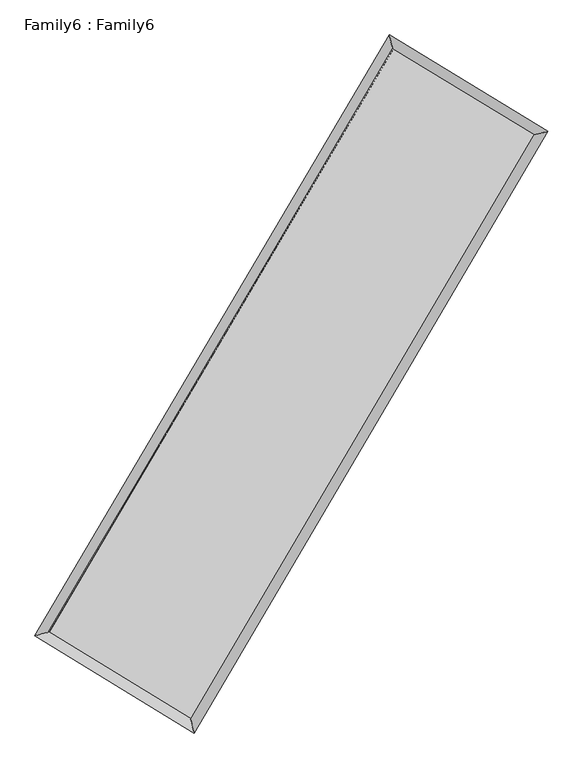
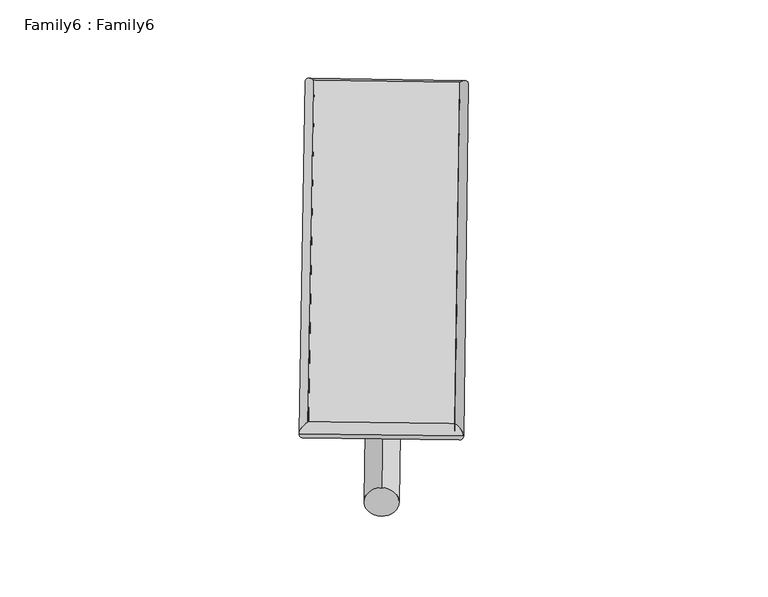
"""IFC4 building model written with IfcOpenShell, lengths in millimetres: plate geometry, Family6 : Family6."""

from ifc_helpers import new_model, si_unit, point, frame, origin, origin_2d, place, context, project, spatial, circle_curve, ellipse_curve, trimmed, segment, composite_curve, outline, extrude, source, transform, mapped, element, save
from ifc_brep_helpers import plane_surface, cylinder_surface, spline_surface, advanced_brep


def family6_family6_4cea3b89(model_context):
    return source(origin(), model_context, "Body", "SolidModel", [
        extrude(outline(composite_curve([segment(trimmed(circle_curve(origin_2d(), 76.2), [point((-75.4341514, -10.7763074))], [point((75.4341514, 10.7763074))], False, "CARTESIAN"), True, "CONTINUOUS"), segment(trimmed(circle_curve(origin_2d(), 76.2), [point((75.4341514, 10.7763074))], [point((-75.4341514, -10.7763074))], False, "CARTESIAN"), True, "CONTINUOUS")], self_intersect=False)), frame((9144.0, 9144.0, 0.0), z_axis=(0.6717749036608044, 0.6883563415356019, 0.27364945802840357), x_axis=(-0.6803715720130553, 0.7194586431852626, -0.13954850318976877)), (0.0, 0.0, 1.0), 5555.1462076),
        extrude(outline(composite_curve([segment(trimmed(circle_curve(origin_2d(), 76.2), [point((-53.8815367, 53.8815367))], [point((53.8815367, -53.8815367))], False, "CARTESIAN"), True, "CONTINUOUS"), segment(trimmed(circle_curve(origin_2d(), 76.2), [point((53.8815367, -53.8815367))], [point((-53.8815367, 53.8815367))], False, "CARTESIAN"), True, "CONTINUOUS")], self_intersect=False)), frame((9144.0, 9144.0, 0.0), z_axis=(-0.6728758912325628, -0.6872849527230421, 0.27363740380012036), x_axis=(0.6418172401892921, -0.3584500577117743, 0.6779263870968781)), (0.0, 0.0, 1.0), 5555.5539807),
        extrude(outline(composite_curve([segment(trimmed(circle_curve(origin_2d(), 76.2), [point((-53.8815367, -53.8815367))], [point((53.8815367, 53.8815367))], False, "CARTESIAN"), True, "CONTINUOUS"), segment(trimmed(circle_curve(origin_2d(), 76.2), [point((53.8815367, 53.8815367))], [point((-53.8815367, -53.8815367))], False, "CARTESIAN"), True, "CONTINUOUS")], self_intersect=False)), frame((9144.0, 9144.0, 0.0), z_axis=(0.2781575468122288, 0.9209964949198655, 0.2727523336228764), x_axis=(-0.8390686830494325, 0.3711966671379762, -0.3977144445847417)), (0.0, 0.0, 1.0), 5589.9156163),
        extrude(outline(composite_curve([segment(trimmed(circle_curve(origin_2d(), 76.2), [point((-75.4341514, 10.7763074))], [point((75.4341514, -10.7763074))], False, "CARTESIAN"), True, "CONTINUOUS"), segment(trimmed(circle_curve(origin_2d(), 76.2), [point((75.4341514, -10.7763074))], [point((-75.4341514, 10.7763074))], False, "CARTESIAN"), True, "CONTINUOUS")], self_intersect=False)), frame((9144.0, 9144.0, 0.0), z_axis=(-0.2768616365545049, -0.9214481344205083, 0.27254535361536847), x_axis=(0.8778931130567219, -0.12722981998608635, 0.46164516130236427)), (0.0, 0.0, 1.0), 5594.441644),
        advanced_brep(
        [(5198.2361737, 5273.9252046, 1520.5671748), (5613.3678284, 5377.5784408, 1520.6600487), (5613.3671542, 5377.5774855, 1519.8475611), (10751.6078458, 14081.826491, 1524.1723984), (10646.1465837, 14502.758888, 1525.1526599), (5198.2354996, 5273.9242493, 1519.7546872), (12668.3271454, 12915.7578662, 1520.2104827), (13083.2884714, 13020.082374, 1520.1150153), (7542.2941154, 4199.8243208, 1524.6527783), (7647.9333463, 3778.2000472, 1524.825374)],
        [
            (0, 1, ellipse_curve(frame((5405.801664, 5325.7513451, 1520.2073679), z_axis=(-0.24225006526515447, 0.9702133903806094, -0.0009396835590659036), x_axis=(-0.9702122770533941, -0.24225130152977775, -0.0015634455528790155)), 213.9391945, 152.4)),
            (1, 2, ellipse_curve(frame((5405.801664, 5325.7513451, 1520.2073679), z_axis=(-0.24225006526515447, 0.9702133903806094, -0.0009396835590659036), x_axis=(-0.9702122770533941, -0.24225130152977775, -0.0015634455528790155)), 213.9391945, 152.4)),
            (2, 3),
            (3, 4, ellipse_curve(frame((10698.8772147, 14292.2926895, 1524.6625291), z_axis=(-0.9700176956122756, -0.24303243195710011, 0.0009524789067715076), x_axis=(0.24303082982044377, -0.9700173405430471, -0.001541039448172345)), 216.9718998, 152.4)),
            (4, 0),
            (2, 5, ellipse_curve(frame((5405.801664, 5325.7513451, 1520.2073679), z_axis=(-0.24225006526515447, 0.9702133903806094, -0.0009396835590659036), x_axis=(-0.9702122770533941, -0.24225130152977775, -0.0015634455528790155)), 213.9391945, 152.4)),
            (5, 0, ellipse_curve(frame((5405.801664, 5325.7513451, 1520.2073679), z_axis=(-0.24225006526515447, 0.9702133903806094, -0.0009396835590659036), x_axis=(-0.9702122770533941, -0.24225130152977775, -0.0015634455528790155)), 213.9391945, 152.4)),
            (4, 3, ellipse_curve(frame((10698.8772147, 14292.2926895, 1524.6625291), z_axis=(-0.9700176956122756, -0.24303243195710011, 0.0009524789067715076), x_axis=(0.24303082982044377, -0.9700173405430471, -0.001541039448172345)), 216.9718998, 152.4)),
            (3, 6),
            (6, 7, ellipse_curve(frame((12875.8078084, 12967.9201201, 1520.162749), z_axis=(-0.2438200918815579, 0.969820032692438, 0.0009311193841574802), x_axis=(-0.9698188995017407, -0.24382131538708463, 0.001571092659347319)), 213.9373957, 152.4)),
            (7, 4),
            (7, 6, ellipse_curve(frame((12875.8078084, 12967.9201201, 1520.162749), z_axis=(-0.2438200918815579, 0.969820032692438, 0.0009311193841574802), x_axis=(-0.9698188995017407, -0.24382131538708463, 0.001571092659347319)), 213.9373957, 152.4)),
            (6, 8),
            (8, 9, ellipse_curve(frame((7595.1137308, 3989.012184, 1524.7390762), z_axis=(0.9700156244883841, 0.24304072203165772, 0.000946405167326803), x_axis=(-0.24303911968816988, 0.9700152538383364, -0.0015471335260521647)), 217.328647, 152.4)),
            (9, 7),
            (9, 8, ellipse_curve(frame((7595.1137308, 3989.012184, 1524.7390762), z_axis=(0.9700156244883841, 0.24304072203165772, 0.000946405167326803), x_axis=(-0.24303911968816988, 0.9700152538383364, -0.0015471335260521647)), 217.328647, 152.4)),
            (8, 1),
            (5, 9),
        ],
        [
            cylinder_surface(frame((5405.801664, 5325.7513451, 1520.2073679), z_axis=(-0.5083494285378972, -0.8611507855349969, -0.00042787574267569035), x_axis=(-0.8611481359671196, 0.5083464819415163, 0.0027824841489423385)), 152.4),
            cylinder_surface(frame((10698.8772147, 14292.2926895, 1524.6625291), z_axis=(-0.8543219306496309, 0.5197412051947173, 0.0017659087830611403), x_axis=(0.5197436389205109, 0.8543210840941765, 0.0014265601342937813)), 152.4),
            cylinder_surface(frame((12875.8078084, 12967.9201201, 1520.162749), z_axis=(0.5069475794845029, 0.861976773843419, -0.00043932823166793804), x_axis=(0.8619768775016912, -0.5069475794845029, 0.00011961286884558771)), 152.4),
            cylinder_surface(frame((7595.1137308, 3989.012184, 1524.7390762), z_axis=(0.8534840359447377, -0.5211159941389611, 0.0017666465532836962), x_axis=(-0.5211145589473865, -0.8534858546052578, -0.0012298137272788287)), 152.4),
        ],
        [
            (0, [[1, 2, 3, 4, 5]]),
            (0, [[6, 7, -5, 8, -3]]),
            (1, [[-4, 9, 10, 11]]),
            (1, [[-8, -11, 12, -9]]),
            (2, [[-10, 13, 14, 15]]),
            (2, [[-12, -15, 16, -13]]),
            (3, [[-14, 17, -1, -7, 18]]),
            (3, [[-16, -18, -6, -2, -17]]),
        ],
    ),
        extrude(outline(composite_curve([segment(trimmed(circle_curve(origin_2d(), 304.8), [point((1e-07, -304.8))], [point((0.0, 304.8))], False, "CARTESIAN"), True, "CONTINUOUS"), segment(trimmed(circle_curve(origin_2d(), 304.8), [point((0.0, 304.8))], [point((1e-07, -304.8))], False, "CARTESIAN"), True, "CONTINUOUS")], self_intersect=False)), frame((6493.2036304, 4640.4003678, -4.83e-05), z_axis=(0.5072504330235096, 0.8617986993477433, 9.245695490713282e-09), x_axis=(-0.8617986993477433, 0.5072504330235096, 2.5190065085505007e-09)), (0.0, 0.0, 1.0), 10451.6278234),
        advanced_brep(
        [(5405.801664, 5325.7513451, 1520.2073679), (7595.1137308, 3989.012184, 1524.7390762), (7595.1126104, 3989.0138883, 1677.1390761), (5405.8005435, 5325.7530494, 1672.6073679), (12875.8078084, 12967.9201201, 1520.162749), (12875.8066879, 12967.9218245, 1672.562749), (10698.8772147, 14292.2926895, 1524.6625291), (10698.8760943, 14292.2943939, 1677.0625291)],
        [
            (0, 1),
            (1, 2),
            (2, 3),
            (3, 0),
            (1, 4),
            (4, 5),
            (5, 2),
            (4, 6),
            (6, 7),
            (7, 5),
            (6, 0),
            (3, 7),
        ],
        [
            plane_surface(frame((6500.4576974, 4657.3817645, 1522.473222), z_axis=(-0.5211168159592158, -0.8534853625528003, 5.713530279658472e-06), x_axis=(0.8534840359447378, -0.5211159941389609, 0.0017666465532836981))),
            plane_surface(frame((10235.4607696, 8478.4661521, 1522.4509126), z_axis=(0.8619768596401499, -0.5069476238239461, 1.2006682882515217e-05), x_axis=(0.5069475794845028, 0.8619767738434191, -0.0004393282316679364))),
            plane_surface(frame((11787.3425116, 13630.1064048, 1522.412639), z_axis=(0.5197420069281937, 0.8543232679737726, -5.733008548714966e-06), x_axis=(-0.8543219306496307, 0.5197412051947177, 0.0017659087830611416))),
            plane_surface(frame((8052.3394393, 9809.0220173, 1522.4349485), z_axis=(-0.8611508616878999, 0.5083494794625015, -1.201628751697098e-05), x_axis=(-0.5083494285378976, -0.8611507855349967, -0.0004278757426756886))),
            spline_surface(1, 1, [[(7595.1126104, 3989.0138883, 1677.1390761), (5405.8005435, 5325.7530494, 1672.6073679)], [(12875.8066879, 12967.9218245, 1672.562749), (10698.8760943, 14292.2943939, 1677.0625291)]], [2, 2], [2, 2], [0.0, 1.0], [0.0, 1.0]),
            spline_surface(1, 1, [[(10698.8772147, 14292.2926895, 1524.6625291), (5405.801664, 5325.7513451, 1520.2073679)], [(12875.8078084, 12967.9201201, 1520.162749), (7595.1137308, 3989.012184, 1524.7390762)]], [2, 2], [2, 2], [0.0, 1.0], [0.0, 1.0]),
        ],
        [
            (0, [[1, 2, 3, 4]]),
            (1, [[5, 6, 7, -2]]),
            (2, [[8, 9, 10, -6]]),
            (3, [[11, -4, 12, -9]]),
            (4, [[-3, -7, -10, -12]]),
            (5, [[-11, -8, -5, -1]]),
        ],
    ),
    ])


if __name__ == "__main__":
    model = new_model("IFC4")
    model_context = context("Model", 3, world=origin())
    ifc_project = project(units=[si_unit("LENGTHUNIT", "METRE", prefix="MILLI")], contexts=[model_context])
    site = spatial("IfcSite", under=ifc_project)
    building = spatial("IfcBuilding", under=site)
    placement = place(None, origin())
    family6_family6_shape = family6_family6_4cea3b89(model_context)
    element("IfcPlate", 1, ObjectType="Family6 : Family6", at=placement, inside=building, context=model_context, shape_type="MappedRepresentation", body=[
        mapped(family6_family6_shape, transform((0.0, 0.0, 0.0), x_axis=(1.0, 0.0, 0.0), y_axis=(0.0, 1.0, 0.0), z_axis=(0.0, 0.0, 1.0))),
    ])
    save(model, "model.ifc")
